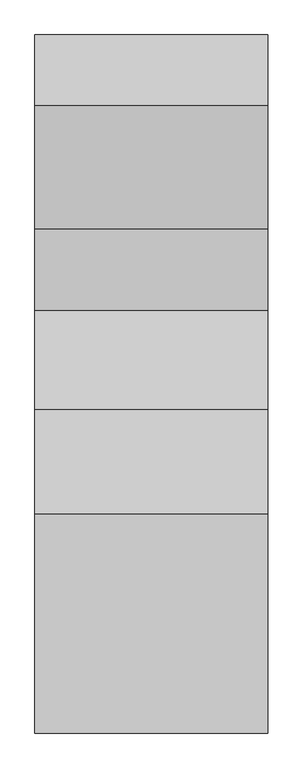
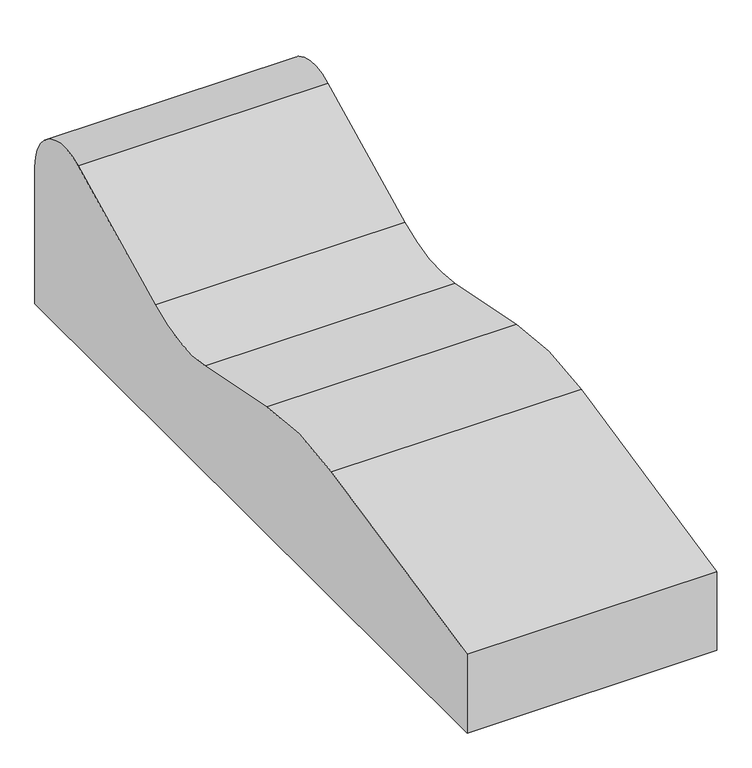
"""IFC4 building model written with IfcOpenShell, lengths in millimetres: furniture geometry."""

from ifc_helpers import new_model, si_unit, point, frame, frame_2d, origin, place, context, project, spatial, polyline, circle_curve, trimmed, segment, composite_curve, outline, extrude, source, transform, mapped, element, save


def furniture_1847d349(model_context):
    return source(origin(), model_context, "Body", "SweptSolid", [
        extrude(outline(composite_curve([segment(polyline([(-700.0, 200.0), (-134.6856935, 321.13878)]), True, "CONTINUOUS"), segment(trimmed(circle_curve(frame_2d((4.6511505, -329.0998254)), 665.0), [point((-134.6856935, 321.13878))], [point((135.0683803, 322.9863239))], False, "CARTESIAN"), True, "CONTINUOUS"), segment(polyline([(135.0683803, 322.9863239), (390.6554304, 271.8689139)]), True, "CONTINUOUS"), segment(trimmed(circle_curve(frame_2d((454.3931743, 590.5576335)), 325.0), [point((390.6554304, 271.8689139))], [point((599.7375929, 299.8687964))], True, "CARTESIAN"), True, "CONTINUOUS"), segment(polyline([(599.7375929, 299.8687964), (919.0983006, 459.5491503)]), True, "CONTINUOUS"), segment(trimmed(circle_curve(frame_2d((975.0, 347.7457514)), 125.0), [point((919.0983006, 459.5491503))], [point((1100.0, 347.7457514))], False, "CARTESIAN"), True, "CONTINUOUS"), segment(polyline([(1100.0, 347.7457514), (1100.0, 0.0), (-700.0, 0.0), (-700.0, 200.0)]), True, "CONTINUOUS")], self_intersect=False)), frame((-300.0, 0.0, 0.0), z_axis=(1.0, 0.0, 0.0), x_axis=(0.0, 1.0, 0.0)), (0.0, 0.0, 1.0), 600.0),
    ])


if __name__ == "__main__":
    model = new_model("IFC4")
    model_context = context("Model", 3, world=origin())
    ifc_project = project(units=[si_unit("LENGTHUNIT", "METRE", prefix="MILLI")], contexts=[model_context])
    site = spatial("IfcSite", under=ifc_project)
    building = spatial("IfcBuilding", under=site)
    placement = place(None, origin())
    furniture_shape = furniture_1847d349(model_context)
    element("IfcFurniture", 1, at=placement, inside=building, context=model_context, shape_type="MappedRepresentation", body=[
        mapped(furniture_shape, transform((0.0, 0.0, 0.0), x_axis=(1.0, 0.0, 0.0), y_axis=(0.0, 1.0, 0.0), z_axis=(0.0, 0.0, 1.0))),
    ])
    save(model, "model.ifc")
